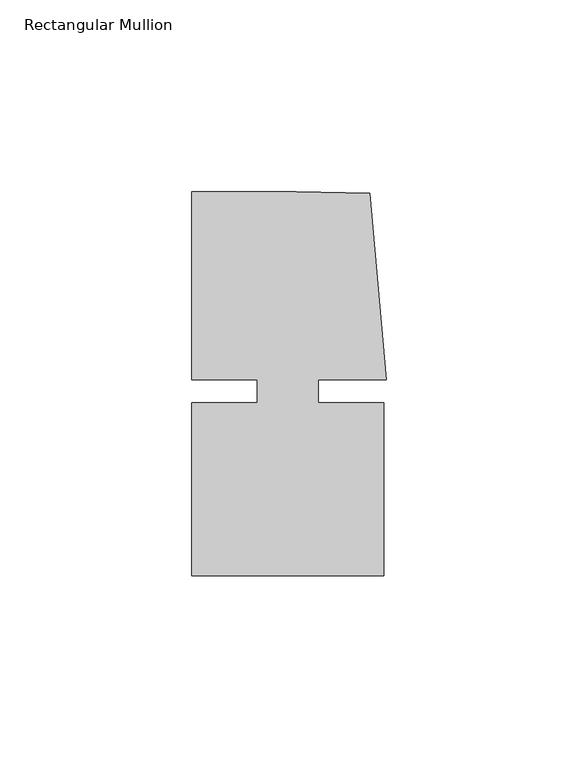
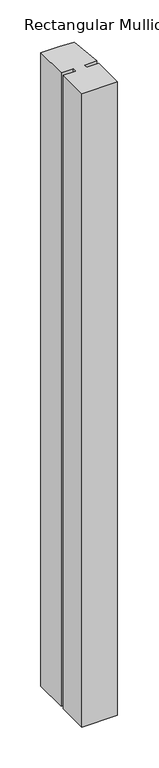
"""IFC4 building model written with IfcOpenShell, lengths in millimetres: member geometry, Rectangular Mullion."""

from ifc_helpers import new_model, si_unit, frame, origin, place, context, project, spatial, polyline, outline, extrude, source, transform, mapped, element, save


def rectangular_mullion_50fa4830(model_context):
    return source(origin(), model_context, "Body", "SweptSolid", [
        extrude(outline(polyline([(8.0004917, -3.0000287), (25.00003, -3.0000271), (25.0000344, -48.0000271), (-24.9999656, -48.000032), (-24.99997, -3.000032), (-8.0004317, -3.0000303), (-8.0004323, 2.999987), (-24.9999706, 2.9999853), (-24.9999754, 51.999968), (2.2554581, 51.9999707), (21.3623265, 51.5846059), (25.6129344, 2.9999903), (8.0004911, 2.9999885), (8.0004917, -3.0000287)])), frame((0.0, 0.0, -944.3334725), z_axis=(0.0, 0.0, 1.0), x_axis=(1.0, 0.0, 0.0)), (0.0, 0.0, 1.0), 944.3334725),
    ])


if __name__ == "__main__":
    model = new_model("IFC4")
    model_context = context("Model", 3, world=origin())
    ifc_project = project(units=[si_unit("LENGTHUNIT", "METRE", prefix="MILLI")], contexts=[model_context])
    site = spatial("IfcSite", under=ifc_project)
    building = spatial("IfcBuilding", under=site)
    placement = place(None, origin())
    rectangular_mullion_shape = rectangular_mullion_50fa4830(model_context)
    element("IfcMember", 1, ObjectType="Rectangular Mullion", at=placement, inside=building, context=model_context, shape_type="MappedRepresentation", body=[
        mapped(rectangular_mullion_shape, transform((0.0, 0.0, 0.0), x_axis=(1.0, 0.0, 0.0), y_axis=(0.0, 1.0, 0.0), z_axis=(0.0, 0.0, 1.0))),
    ])
    save(model, "model.ifc")
